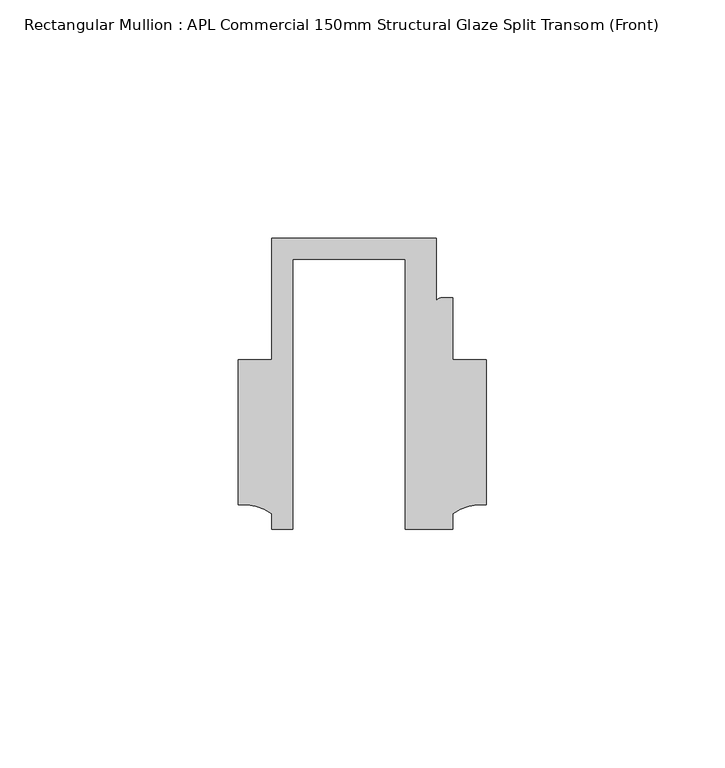
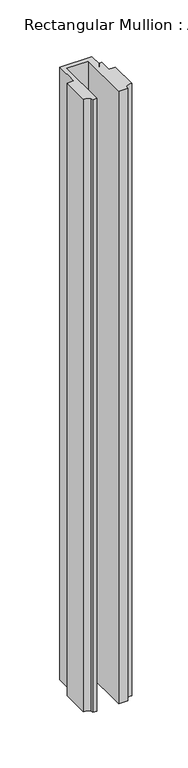
"""IFC4 building model written with IfcOpenShell, lengths in millimetres: member geometry, Rectangular Mullion : APL Commercial 150mm Structural Glaze Split Transom (Front)."""

from ifc_helpers import new_model, si_unit, point, frame, frame_2d, origin, place, context, project, spatial, polyline, circle_curve, trimmed, segment, composite_curve, outline, extrude, source, transform, mapped, element, save


def rectangular_mullion_apl_commercial_150mm_structural_glaze_d2dc6b60(model_context):
    return source(origin(), model_context, "Body", "SweptSolid", [
        extrude(outline(composite_curve([segment(polyline([(-23.5949354, -20.5), (-28.0000482, -20.5), (-28.0000482, -17.3123419)]), True, "CONTINUOUS"), segment(trimmed(circle_curve(frame_2d((-34.10985, -25.7980019)), 10.4563907), [point((-28.0000482, -17.3123419))], [point((-34.9999873, -15.3795682))], True, "CARTESIAN"), True, "CONTINUOUS"), segment(polyline([(-34.9999873, -15.3795682), (-34.9999873, 15.001276), (-28.0000482, 15.001276), (-28.0000482, 40.499932), (6.5000029, 40.499932), (6.5000029, 27.0002131)]), True, "CONTINUOUS"), segment(trimmed(circle_curve(frame_2d((7.5000029, 27.0002131)), 1.0), [point((6.5000029, 27.0002131))], [point((7.5000029, 28.0002131))], False, "CARTESIAN"), True, "CONTINUOUS"), segment(polyline([(7.5000029, 28.0002131), (10.0000029, 28.0002131), (10.0000029, 15.0004617), (16.999942, 15.0004617), (16.999942, -15.3793686)]), True, "CONTINUOUS"), segment(trimmed(circle_curve(frame_2d((16.1098048, -25.7978024)), 10.4563907), [point((16.999942, -15.3793686))], [point((10.0000029, -17.3121423))], True, "CARTESIAN"), True, "CONTINUOUS"), segment(polyline([(10.0000029, -17.3121423), (10.0000029, -20.5), (0.0, -20.5), (0.0, 36.1008577), (-23.5949354, 36.1008577), (-23.5949354, -20.5)]), True, "CONTINUOUS")], self_intersect=False)), frame((0.0, 0.0, -699.01154), z_axis=(0.0, 0.0, 1.0), x_axis=(1.0, 0.0, 0.0)), (0.0, 0.0, 1.0), 699.01154),
    ])


if __name__ == "__main__":
    model = new_model("IFC4")
    model_context = context("Model", 3, world=origin())
    ifc_project = project(units=[si_unit("LENGTHUNIT", "METRE", prefix="MILLI")], contexts=[model_context])
    site = spatial("IfcSite", under=ifc_project)
    building = spatial("IfcBuilding", under=site)
    placement = place(None, origin())
    rectangular_mullion_apl_commercial_150mm_structural_glaze_shape = rectangular_mullion_apl_commercial_150mm_structural_glaze_d2dc6b60(model_context)
    element("IfcMember", 1, ObjectType="Rectangular Mullion : APL Commercial 150mm Structural Glaze Split Transom (Front)", at=placement, inside=building, context=model_context, shape_type="MappedRepresentation", body=[
        mapped(rectangular_mullion_apl_commercial_150mm_structural_glaze_shape, transform((0.0, 0.0, 0.0), x_axis=(1.0, 0.0, 0.0), y_axis=(0.0, 1.0, 0.0), z_axis=(0.0, 0.0, 1.0))),
    ])
    save(model, "model.ifc")
